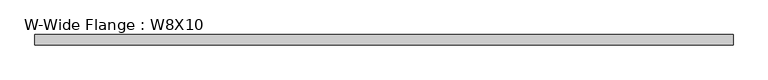
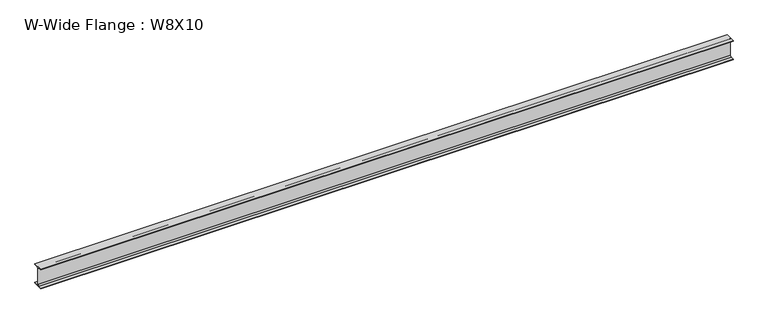
"""IFC4 building model written with IfcOpenShell, lengths in millimetres: beam geometry, W-Wide Flange : W8X10."""

from ifc_helpers import new_model, si_unit, point, frame, frame_2d, origin, place, context, project, spatial, polyline, circle_curve, trimmed, segment, composite_curve, outline, extrude, source, transform, mapped, element, save


def w_wide_flange_w8x10_cdb8baf0(model_context):
    return source(origin(), model_context, "Body", "SweptSolid", [
        extrude(outline(composite_curve([segment(polyline([(50.0558594, -95.0515625), (50.0558594, -100.2109375), (-50.0558594, -100.2109375), (-50.0558594, -95.0515625), (-14.4859375, -95.0515625)]), True, "CONTINUOUS"), segment(trimmed(circle_curve(frame_2d((-14.4859375, -82.7484375)), 12.303125), [point((-14.4859375, -95.0515625))], [point((-2.1828125, -82.7484375))], True, "CARTESIAN"), True, "CONTINUOUS"), segment(polyline([(-2.1828125, -82.7484375), (-2.1828125, 82.7484375)]), True, "CONTINUOUS"), segment(trimmed(circle_curve(frame_2d((-14.4859375, 82.7484375)), 12.303125), [point((-2.1828125, 82.7484375))], [point((-14.4859375, 95.0515625))], True, "CARTESIAN"), True, "CONTINUOUS"), segment(polyline([(-14.4859375, 95.0515625), (-50.0558594, 95.0515625), (-50.0558594, 100.2109375), (50.0558594, 100.2109375), (50.0558594, 95.0515625), (14.4859375, 95.0515625)]), True, "CONTINUOUS"), segment(trimmed(circle_curve(frame_2d((14.4859375, 82.7484375)), 12.303125), [point((14.4859375, 95.0515625))], [point((2.1828125, 82.7484375))], True, "CARTESIAN"), True, "CONTINUOUS"), segment(polyline([(2.1828125, 82.7484375), (2.1828125, -82.7484375)]), True, "CONTINUOUS"), segment(trimmed(circle_curve(frame_2d((14.4859375, -82.7484375)), 12.303125), [point((2.1828125, -82.7484375))], [point((14.4859375, -95.0515625))], True, "CARTESIAN"), True, "CONTINUOUS"), segment(polyline([(14.4859375, -95.0515625), (50.0558594, -95.0515625)]), True, "CONTINUOUS")], self_intersect=False)), frame((-3429.0, 0.0, 0.0), z_axis=(1.0, 0.0, 0.0), x_axis=(0.0, 1.0, 0.0)), (0.0, 0.0, 1.0), 6858.0),
    ])


if __name__ == "__main__":
    model = new_model("IFC4")
    model_context = context("Model", 3, world=origin())
    ifc_project = project(units=[si_unit("LENGTHUNIT", "METRE", prefix="MILLI")], contexts=[model_context])
    site = spatial("IfcSite", under=ifc_project)
    building = spatial("IfcBuilding", under=site)
    placement = place(None, origin())
    w_wide_flange_w8x10_shape = w_wide_flange_w8x10_cdb8baf0(model_context)
    element("IfcBeam", 1, ObjectType="W-Wide Flange : W8X10", at=placement, inside=building, context=model_context, shape_type="MappedRepresentation", body=[
        mapped(w_wide_flange_w8x10_shape, transform((0.0, 0.0, 0.0), x_axis=(1.0, 0.0, 0.0), y_axis=(0.0, 1.0, 0.0), z_axis=(0.0, 0.0, 1.0))),
    ])
    save(model, "model.ifc")
